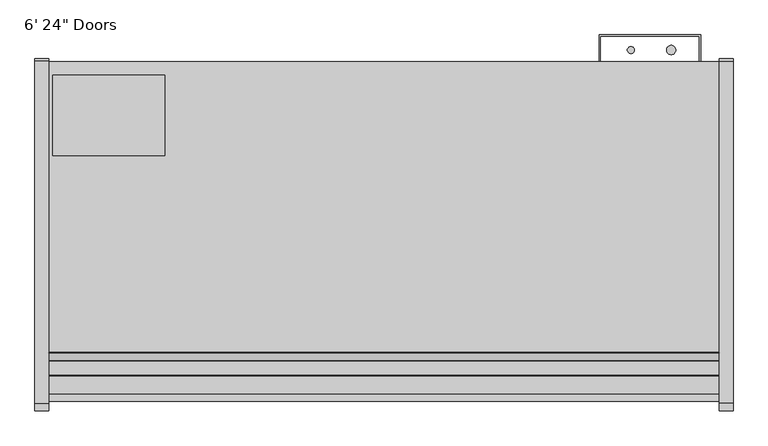
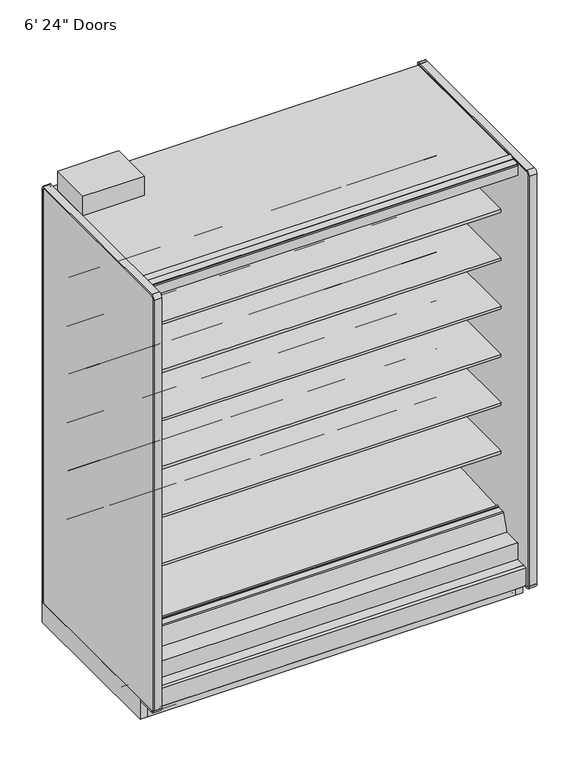
"""IFC4 building model written with IfcOpenShell, lengths in millimetres: proxy geometry."""

from ifc_helpers import new_model, si_unit, point, frame, frame_2d, origin, origin_with_axes, place, context, project, spatial, polyline, circle_curve, trimmed, segment, composite_curve, outline, extrude, source, transform, mapped, element, save
from ifc_brep_helpers import plane_surface, cylinder_surface, revolved_surface, advanced_brep


def proxy_03819749(model_context):
    return source(origin(), model_context, "Body", "SolidModel", [
        extrude(outline(polyline([(1828.8, -1167.5349267), (1828.8, -1183.4099267), (0.0, -1183.4099267), (0.0, -1167.5349267), (1828.8, -1167.5349267)])), origin_with_axes(), (0.0, 0.0, 1.0), 105.16235),
        extrude(outline(polyline([(315.9000882, -386.7007273), (315.9000882, -605.1295388), (11.1115648, -605.1295388), (11.1115648, -386.7007273), (315.9000882, -386.7007273)])), frame((0.0, 0.0, 2282.825), z_axis=(0.0, 0.0, 1.0), x_axis=(1.0, 0.0, 0.0)), (0.0, 0.0, 1.0), 101.6),
        extrude(outline(composite_curve([segment(trimmed(circle_curve(frame_2d((1697.9930803, -317.2571273)), 12.7), [point((1685.2930803, -317.2571273))], [point((1710.6930803, -317.2571273))], False, "CARTESIAN"), True, "CONTINUOUS"), segment(trimmed(circle_curve(frame_2d((1697.9930803, -317.2571273)), 12.7), [point((1710.6930803, -317.2571273))], [point((1685.2930803, -317.2571273))], False, "CARTESIAN"), True, "CONTINUOUS")], self_intersect=False)), frame((0.0, 0.0, 1447.6965458), z_axis=(0.0, 0.0, 1.0), x_axis=(1.0, 0.0, 0.0)), (0.0, 0.0, 1.0), 508.0),
        extrude(outline(composite_curve([segment(trimmed(circle_curve(frame_2d((1588.0004524, -317.2571273)), 9.525), [point((1578.4754524, -317.2571273))], [point((1597.5254524, -317.2571273))], False, "CARTESIAN"), True, "CONTINUOUS"), segment(trimmed(circle_curve(frame_2d((1588.0004524, -317.2571273)), 9.525), [point((1597.5254524, -317.2571273))], [point((1578.4754524, -317.2571273))], False, "CARTESIAN"), True, "CONTINUOUS")], self_intersect=False)), frame((0.0, 0.0, 1447.6965458), z_axis=(0.0, 0.0, 1.0), x_axis=(1.0, 0.0, 0.0)), (0.0, 0.0, 1.0), 508.0),
        extrude(outline(composite_curve([segment(trimmed(circle_curve(frame_2d((1689.6004524, -526.8071273)), 9.525), [point((1680.0754524, -526.8071273))], [point((1699.1254524, -526.8071273))], False, "CARTESIAN"), True, "CONTINUOUS"), segment(trimmed(circle_curve(frame_2d((1689.6004524, -526.8071273)), 9.525), [point((1699.1254524, -526.8071273))], [point((1680.0754524, -526.8071273))], False, "CARTESIAN"), True, "CONTINUOUS")], self_intersect=False)), frame((0.0, 0.0, 57.8450688), z_axis=(0.0, 0.0, 1.0), x_axis=(1.0, 0.0, 0.0)), (0.0, 0.0, 1.0), 47.3172812),
        extrude(outline(composite_curve([segment(trimmed(circle_curve(frame_2d((1736.0930803, -526.8071273)), 12.7), [point((1723.3930803, -526.8071273))], [point((1748.7930803, -526.8071273))], False, "CARTESIAN"), True, "CONTINUOUS"), segment(trimmed(circle_curve(frame_2d((1736.0930803, -526.8071273)), 12.7), [point((1748.7930803, -526.8071273))], [point((1723.3930803, -526.8071273))], False, "CARTESIAN"), True, "CONTINUOUS")], self_intersect=False)), frame((0.0, 0.0, 57.8450688), z_axis=(0.0, 0.0, 1.0), x_axis=(1.0, 0.0, 0.0)), (0.0, 0.0, 1.0), 47.3172812),
        extrude(outline(composite_curve([segment(trimmed(circle_curve(frame_2d((914.4, -945.9071273)), 38.1), [point((876.3, -945.9071273))], [point((952.5, -945.9071273))], False, "CARTESIAN"), True, "CONTINUOUS"), segment(trimmed(circle_curve(frame_2d((914.4, -945.9071273)), 38.1), [point((952.5, -945.9071273))], [point((876.3, -945.9071273))], False, "CARTESIAN"), True, "CONTINUOUS")], self_intersect=False)), frame((0.0, 0.0, 57.8450688), z_axis=(0.0, 0.0, 1.0), x_axis=(1.0, 0.0, 0.0)), (0.0, 0.0, 1.0), 47.3172812),
        extrude(outline(polyline([(114.3, -411.7999572), (114.3, -462.5999572), (0.0, -462.5999572), (0.0, -411.7999572), (114.3, -411.7999572)])), frame((0.0, 0.0, 63.88735), z_axis=(0.0, 0.0, 1.0), x_axis=(1.0, 0.0, 0.0)), (0.0, 0.0, 1.0), 6.35),
        extrude(outline(polyline([(-349.0071273, 2231.5678), (-349.0071273, 105.16235), (-1256.6126273, 105.16235), (-1256.6126273, 201.2447768), (-1205.5205047, 201.2447768), (-1205.5205047, 169.3369447), (-1112.6665508, 150.0632248), (-401.0517273, 187.3573774), (-401.0517273, 2231.5678), (-349.0071273, 2231.5678)])), frame((0.0, 0.0, 0.0), z_axis=(1.0, 0.0, 0.0), x_axis=(0.0, 1.0, 0.0)), (0.0, 0.0, 1.0), 1828.8),
        advanced_brep(
        [(1828.8, -1018.871097, 105.16235), (1828.8, -1022.1071273, 101.9263197), (1828.8, -1022.1071273, 2.3876), (1828.8, -1019.7195273, 0.0), (1828.8, -982.0132273, 0.0), (1828.8, -982.0132273, 70.23735), (1828.8, -383.2457368, 70.23735), (1828.8, -383.2457368, 0.0), (1828.8, -351.3947273, 0.0), (1828.8, -349.0071273, 2.3876), (1828.8, -349.0071273, 100.830191), (1828.8, -353.3392863, 105.16235), (0.0, -1018.871097, 105.16235), (0.0, -353.3392863, 105.16235), (0.0, -349.0071273, 100.830191), (0.0, -349.0071273, 2.3876), (0.0, -351.3947273, 0.0), (0.0, -383.2457368, 0.0), (0.0, -383.2457368, 70.23735), (0.0, -982.0132273, 70.23735), (0.0, -982.0132273, 0.0), (0.0, -1019.7195273, 0.0), (0.0, -1022.1071273, 2.3876), (0.0, -1022.1071273, 101.9263197), (965.2, -945.9071273, 105.16235), (863.6, -945.9071273, 105.16235), (1765.3, -526.8071273, 105.16235), (1663.7, -526.8071273, 105.16235), (878.6650095, -982.0132273, 70.23735), (950.1349905, -982.0132273, 70.23735), (965.2, -945.9071273, 70.23735), (863.6, -945.9071273, 70.23735), (1663.7, -526.8071273, 70.23735), (1765.3, -526.8071273, 70.23735)],
        [
            (0, 1, circle_curve(frame((1828.8, -1018.871097, 101.9263197), z_axis=(1.0, 0.0, 0.0), x_axis=(0.0, 1.0, 0.0)), 3.2360303)),
            (1, 2),
            (2, 3, circle_curve(frame((1828.8, -1019.7195273, 2.3876), z_axis=(1.0, 0.0, 0.0), x_axis=(0.0, 1.0, 0.0)), 2.3876)),
            (3, 4),
            (4, 5),
            (5, 6),
            (6, 7),
            (7, 8),
            (8, 9, circle_curve(frame((1828.8, -351.3947273, 2.3876), z_axis=(1.0, 0.0, 0.0), x_axis=(0.0, 1.0, 0.0)), 2.3876)),
            (9, 10),
            (10, 11, circle_curve(frame((1828.8, -353.3392863, 100.830191), z_axis=(1.0, 0.0, 0.0), x_axis=(0.0, 1.0, 0.0)), 4.332159)),
            (11, 0),
            (12, 13),
            (13, 14, circle_curve(frame((0.0, -353.3392863, 100.830191), z_axis=(-1.0, 0.0, 0.0), x_axis=(0.0, 1.0, 0.0)), 4.332159)),
            (14, 15),
            (15, 16, circle_curve(frame((0.0, -351.3947273, 2.3876), z_axis=(-1.0, 0.0, 0.0), x_axis=(0.0, 1.0, 0.0)), 2.3876)),
            (16, 17),
            (17, 18),
            (18, 19),
            (19, 20),
            (20, 21),
            (21, 22, circle_curve(frame((0.0, -1019.7195273, 2.3876), z_axis=(-1.0, 0.0, 0.0), x_axis=(0.0, 1.0, 0.0)), 2.3876)),
            (22, 23),
            (23, 12, circle_curve(frame((0.0, -1018.871097, 101.9263197), z_axis=(-1.0, 0.0, 0.0), x_axis=(0.0, 1.0, 0.0)), 3.2360303)),
            (10, 14),
            (13, 11),
            (12, 0),
            (24, 25, circle_curve(frame((914.4, -945.9071273, 105.16235), z_axis=(0.0, 0.0, -1.0), x_axis=(1.0, 0.0, 0.0)), 50.8)),
            (25, 24, circle_curve(frame((914.4, -945.9071273, 105.16235), z_axis=(0.0, 0.0, -1.0), x_axis=(1.0, 0.0, 0.0)), 50.8)),
            (26, 27, circle_curve(frame((1714.5, -526.8071273, 105.16235), z_axis=(0.0, 0.0, -1.0), x_axis=(1.0, 0.0, 0.0)), 50.8)),
            (27, 26, circle_curve(frame((1714.5, -526.8071273, 105.16235), z_axis=(0.0, 0.0, -1.0), x_axis=(1.0, 0.0, 0.0)), 50.8)),
            (23, 1),
            (22, 2),
            (21, 3),
            (20, 4),
            (19, 28),
            (28, 29),
            (29, 5),
            (29, 30, circle_curve(frame((914.4, -945.9071273, 70.23735), z_axis=(0.0, 0.0, 1.0), x_axis=(1.0, 0.0, 0.0)), 50.8)),
            (30, 31, circle_curve(frame((914.4, -945.9071273, 70.23735), z_axis=(0.0, 0.0, 1.0), x_axis=(1.0, 0.0, 0.0)), 50.8)),
            (31, 28, circle_curve(frame((914.4, -945.9071273, 70.23735), z_axis=(0.0, 0.0, 1.0), x_axis=(1.0, 0.0, 0.0)), 50.8)),
            (18, 6),
            (32, 33, circle_curve(frame((1714.5, -526.8071273, 70.23735), z_axis=(0.0, 0.0, 1.0), x_axis=(1.0, 0.0, 0.0)), 50.8)),
            (33, 32, circle_curve(frame((1714.5, -526.8071273, 70.23735), z_axis=(0.0, 0.0, 1.0), x_axis=(1.0, 0.0, 0.0)), 50.8)),
            (17, 7),
            (16, 8),
            (15, 9),
            (28, 29, circle_curve(frame((914.4, -945.9071273, 70.23735), z_axis=(0.0, 0.0, 1.0), x_axis=(1.0, 0.0, 0.0)), 50.8)),
            (24, 30),
            (31, 25),
            (32, 27),
            (26, 33),
        ],
        [
            plane_surface(frame((1828.8, -1015.6350667, 101.9263197), z_axis=(1.0, 0.0, 0.0), x_axis=(0.0, 0.0, 1.0))),
            plane_surface(frame((0.0, -1015.6350667, 101.9263197), z_axis=(-1.0, 0.0, 0.0), x_axis=(0.0, 0.0, -1.0))),
            cylinder_surface(frame((0.0, -353.3392863, 100.830191), z_axis=(1.0, 0.0, 0.0), x_axis=(0.0, 1.0, 0.0)), 4.332159),
            plane_surface(frame((1828.8, -353.3392863, 105.16235), z_axis=(0.0, 0.0, 1.0), x_axis=(-1.0, 0.0, 0.0))),
            cylinder_surface(frame((0.0, -1018.871097, 101.9263197), z_axis=(1.0, 0.0, 0.0), x_axis=(0.0, 1.0, 0.0)), 3.2360303),
            plane_surface(frame((1828.8, -1022.1071273, 101.9263197), z_axis=(0.0, -1.0, 0.0), x_axis=(-1.0, 0.0, 0.0))),
            cylinder_surface(frame((0.0, -1019.7195273, 2.3876), z_axis=(1.0, 0.0, 0.0), x_axis=(0.0, 1.0, 0.0)), 2.3876),
            plane_surface(frame((1828.8, -1019.7195273, 0.0), z_axis=(0.0, 0.0, -1.0), x_axis=(-1.0, 0.0, 0.0))),
            plane_surface(frame((1828.8, -982.0132273, 0.0), z_axis=(0.0, 1.0, 0.0), x_axis=(-1.0, 0.0, 0.0))),
            plane_surface(frame((1828.8, -982.0132273, 70.23735), z_axis=(0.0, 0.0, -1.0), x_axis=(-1.0, 0.0, 0.0))),
            plane_surface(frame((1828.8, -383.2457368, 70.23735), z_axis=(0.0, -1.0, 0.0), x_axis=(-1.0, 0.0, 0.0))),
            plane_surface(frame((1828.8, -383.2457368, 0.0), z_axis=(0.0, 0.0, -1.0), x_axis=(-1.0, 0.0, 0.0))),
            cylinder_surface(frame((0.0, -351.3947273, 2.3876), z_axis=(1.0, 0.0, 0.0), x_axis=(0.0, 1.0, 0.0)), 2.3876),
            plane_surface(frame((965.2, -945.9071273, 70.23735), z_axis=(0.0, 0.0, 1.0), x_axis=(0.0, -1.0, 0.0))),
            revolved_surface(polyline([(965.1999999999999, -945.9071273, 105.16235), (965.1999999999999, -945.9071273, 70.23735)]), (914.4, -945.9071273, 70.23735), (0.0, 0.0, 1.0)),
            revolved_surface(polyline([(1765.3, -526.8071273, 105.16235), (1765.3, -526.8071273, 70.23735)]), (1714.5, -526.8071273, 0.0), (0.0, 0.0, 1.0)),
            plane_surface(frame((1828.8, -349.0071273, 2.3876), z_axis=(0.0, 1.0, 0.0), x_axis=(-1.0, 0.0, 0.0))),
        ],
        [
            (0, [[1, 2, 3, 4, 5, 6, 7, 8, 9, 10, 11, 12]]),
            (1, [[13, 14, 15, 16, 17, 18, 19, 20, 21, 22, 23, 24]]),
            (2, [[-11, 25, -14, 26]]),
            (3, [[-12, -26, -13, 27], [28, 29], [30, 31]]),
            (4, [[-1, -27, -24, 32]]),
            (5, [[-2, -32, -23, 33]]),
            (6, [[-3, -33, -22, 34]]),
            (7, [[-4, -34, -21, 35]]),
            (8, [[-5, -35, -20, 36, 37, 38]]),
            (9, [[-6, -38, 39, 40, 41, -36, -19, 42], [43, 44]]),
            (10, [[-7, -42, -18, 45]]),
            (11, [[-8, -45, -17, 46]]),
            (12, [[-9, -46, -16, 47]]),
            (13, [[48, -37]]),
            (14, [[49, -39, -48, -41, 50, -28]]),
            (14, [[-49, -29, -50, -40]]),
            (15, [[51, -30, 52, -43]]),
            (15, [[-51, -44, -52, -31]]),
            (16, [[-10, -47, -15, -25]]),
        ],
    ),
        extrude(outline(polyline([(1501.775, -349.0071273), (1501.775, -275.9821273), (1778.0, -275.9821273), (1778.0, -349.0071273), (1774.825, -349.0071273), (1774.825, -279.1571273), (1504.95, -279.1571273), (1504.95, -349.0071273), (1501.775, -349.0071273)])), frame((0.0, 0.0, 304.927), z_axis=(0.0, 0.0, 1.0), x_axis=(1.0, 0.0, 0.0)), (0.0, 0.0, 1.0), 1523.3666145),
        extrude(outline(composite_curve([segment(polyline([(-452.3089273, 610.906076), (-470.5727913, 610.5955195)]), True, "CONTINUOUS"), segment(trimmed(circle_curve(frame_2d((-471.0046274, 635.9918483)), 25.4), [point((-470.5727913, 610.5955195))], [point((-486.9819836, 616.2463656))], False, "CARTESIAN"), True, "CONTINUOUS"), segment(polyline([(-486.9819836, 616.2463656), (-504.8340447, 630.6916311)]), True, "CONTINUOUS"), segment(trimmed(circle_curve(frame_2d((-544.7774354, 581.3279244)), 63.5), [point((-504.8340447, 630.6916311))], [point((-536.8795542, 644.3348563))], True, "CARTESIAN"), True, "CONTINUOUS"), segment(polyline([(-536.8795542, 644.3348563), (-751.3282218, 668.0319937), (-752.8169983, 671.4725458), (-1061.9089273, 671.4725458), (-1061.9089273, 685.6965458), (-452.3089273, 685.6965458), (-452.3089273, 610.906076)]), True, "CONTINUOUS")], self_intersect=False)), frame((0.0, 0.0, 0.0), z_axis=(1.0, 0.0, 0.0), x_axis=(0.0, 1.0, 0.0)), (0.0, 0.0, 1.0), 1828.8),
        extrude(outline(composite_curve([segment(polyline([(-452.3089273, 864.906076), (-470.5727913, 864.5955195)]), True, "CONTINUOUS"), segment(trimmed(circle_curve(frame_2d((-471.0046274, 889.9918483)), 25.4), [point((-470.5727913, 864.5955195))], [point((-486.9819836, 870.2463656))], False, "CARTESIAN"), True, "CONTINUOUS"), segment(polyline([(-486.9819836, 870.2463656), (-504.8340447, 884.6916311)]), True, "CONTINUOUS"), segment(trimmed(circle_curve(frame_2d((-544.7774354, 835.3279244)), 63.5), [point((-504.8340447, 884.6916311))], [point((-536.8795542, 898.3348563))], True, "CARTESIAN"), True, "CONTINUOUS"), segment(polyline([(-536.8795542, 898.3348563), (-751.3282218, 922.0319937), (-752.8169983, 925.4725458), (-1061.9089273, 925.4725458), (-1061.9089273, 939.6965458), (-452.3089273, 939.6965458), (-452.3089273, 864.906076)]), True, "CONTINUOUS")], self_intersect=False)), frame((0.0, 0.0, 0.0), z_axis=(1.0, 0.0, 0.0), x_axis=(0.0, 1.0, 0.0)), (0.0, 0.0, 1.0), 1828.8),
        extrude(outline(composite_curve([segment(polyline([(-452.3089273, 1118.906076), (-470.5727913, 1118.5955195)]), True, "CONTINUOUS"), segment(trimmed(circle_curve(frame_2d((-471.0046274, 1143.9918483)), 25.4), [point((-470.5727913, 1118.5955195))], [point((-486.9819836, 1124.2463656))], False, "CARTESIAN"), True, "CONTINUOUS"), segment(polyline([(-486.9819836, 1124.2463656), (-504.8340447, 1138.6916311)]), True, "CONTINUOUS"), segment(trimmed(circle_curve(frame_2d((-544.7774354, 1089.3279244)), 63.5), [point((-504.8340447, 1138.6916311))], [point((-536.8795542, 1152.3348563))], True, "CARTESIAN"), True, "CONTINUOUS"), segment(polyline([(-536.8795542, 1152.3348563), (-751.3282218, 1176.0319937), (-752.8169983, 1179.4725458), (-1061.9089273, 1179.4725458), (-1061.9089273, 1193.6965458), (-452.3089273, 1193.6965458), (-452.3089273, 1118.906076)]), True, "CONTINUOUS")], self_intersect=False)), frame((0.0, 0.0, 0.0), z_axis=(1.0, 0.0, 0.0), x_axis=(0.0, 1.0, 0.0)), (0.0, 0.0, 1.0), 1828.8),
        extrude(outline(composite_curve([segment(polyline([(-452.3089273, 1372.906076), (-470.5727913, 1372.5955195)]), True, "CONTINUOUS"), segment(trimmed(circle_curve(frame_2d((-471.0046274, 1397.9918483)), 25.4), [point((-470.5727913, 1372.5955195))], [point((-486.9819836, 1378.2463656))], False, "CARTESIAN"), True, "CONTINUOUS"), segment(polyline([(-486.9819836, 1378.2463656), (-504.8340447, 1392.6916311)]), True, "CONTINUOUS"), segment(trimmed(circle_curve(frame_2d((-544.7774354, 1343.3279244)), 63.5), [point((-504.8340447, 1392.6916311))], [point((-536.8795542, 1406.3348563))], True, "CARTESIAN"), True, "CONTINUOUS"), segment(polyline([(-536.8795542, 1406.3348563), (-751.3282218, 1430.0319937), (-752.8169983, 1433.4725458), (-1061.9089273, 1433.4725458), (-1061.9089273, 1447.6965458), (-452.3089273, 1447.6965458), (-452.3089273, 1372.906076)]), True, "CONTINUOUS")], self_intersect=False)), frame((0.0, 0.0, 0.0), z_axis=(1.0, 0.0, 0.0), x_axis=(0.0, 1.0, 0.0)), (0.0, 0.0, 1.0), 1828.8),
        extrude(outline(composite_curve([segment(polyline([(-452.3089273, 1626.906076), (-470.5727913, 1626.5955195)]), True, "CONTINUOUS"), segment(trimmed(circle_curve(frame_2d((-471.0046274, 1651.9918483)), 25.4), [point((-470.5727913, 1626.5955195))], [point((-486.9819836, 1632.2463656))], False, "CARTESIAN"), True, "CONTINUOUS"), segment(polyline([(-486.9819836, 1632.2463656), (-504.8340447, 1646.6916311)]), True, "CONTINUOUS"), segment(trimmed(circle_curve(frame_2d((-544.7774354, 1597.3279244)), 63.5), [point((-504.8340447, 1646.6916311))], [point((-536.8795542, 1660.3348563))], True, "CARTESIAN"), True, "CONTINUOUS"), segment(polyline([(-536.8795542, 1660.3348563), (-751.3282218, 1684.0319937), (-752.8169983, 1687.4725458), (-1061.9089273, 1687.4725458), (-1061.9089273, 1701.6965458), (-452.3089273, 1701.6965458), (-452.3089273, 1626.906076)]), True, "CONTINUOUS")], self_intersect=False)), frame((0.0, 0.0, 0.0), z_axis=(1.0, 0.0, 0.0), x_axis=(0.0, 1.0, 0.0)), (0.0, 0.0, 1.0), 1828.8),
        extrude(outline(composite_curve([segment(polyline([(-452.3089273, 1880.906076), (-470.5727913, 1880.5955195)]), True, "CONTINUOUS"), segment(trimmed(circle_curve(frame_2d((-471.0046274, 1905.9918483)), 25.4), [point((-470.5727913, 1880.5955195))], [point((-486.9819836, 1886.2463656))], False, "CARTESIAN"), True, "CONTINUOUS"), segment(polyline([(-486.9819836, 1886.2463656), (-504.8340447, 1900.6916311)]), True, "CONTINUOUS"), segment(trimmed(circle_curve(frame_2d((-544.7774354, 1851.3279244)), 63.5), [point((-504.8340447, 1900.6916311))], [point((-536.8795542, 1914.3348563))], True, "CARTESIAN"), True, "CONTINUOUS"), segment(polyline([(-536.8795542, 1914.3348563), (-751.3282218, 1938.0319937), (-752.8169983, 1941.4725458), (-1061.9089273, 1941.4725458), (-1061.9089273, 1955.6965458), (-452.3089273, 1955.6965458), (-452.3089273, 1880.906076)]), True, "CONTINUOUS")], self_intersect=False)), frame((0.0, 0.0, 0.0), z_axis=(1.0, 0.0, 0.0), x_axis=(0.0, 1.0, 0.0)), (0.0, 0.0, 1.0), 1828.8),
        advanced_brep(
        [(1828.8, -562.1054156, 392.489408), (1828.8, -565.4345004, 395.3833373), (1828.8, -1028.1778581, 371.1319845), (1828.8, -1031.8816746, 374.3516629), (1828.8, -1032.3723429, 379.9600263), (1828.8, -1039.3602618, 380.0840123), (1828.8, -1037.6796074, 360.8740328), (1828.8, -1031.0214377, 355.0861739), (1828.8, -564.4043684, 379.5405382), (1828.8, -561.4040704, 382.9438378), (0.0, -562.1054156, 392.489408), (0.0, -561.4040704, 382.9438378), (0.0, -564.4043684, 379.5405382), (0.0, -1031.0214377, 355.0861739), (0.0, -1037.6796074, 360.8740328), (0.0, -1039.3602618, 380.0840123), (0.0, -1032.4336802, 379.95466), (0.0, -1031.8816746, 374.3516629), (0.0, -1028.1778581, 371.1319845), (0.0, -565.4345004, 395.3833373)],
        [
            (0, 1, circle_curve(frame((1828.8, -565.2683338, 392.2126885), z_axis=(1.0, 0.0, 0.0), x_axis=(0.0, 1.0, 0.0)), 3.175)),
            (1, 2),
            (2, 3, circle_curve(frame((1828.8, -1028.362729, 374.6595308), z_axis=(-1.0, 0.0, 0.0), x_axis=(0.0, 1.0, 0.0)), 3.5323874)),
            (3, 4),
            (4, 5, circle_curve(frame((1828.8, -1035.9038485, 379.6510595), z_axis=(1.0, 0.0, 0.0), x_axis=(0.0, 1.0, 0.0)), 3.4834238)),
            (5, 6),
            (6, 7, circle_curve(frame((1828.8, -1031.353771, 361.4274714), z_axis=(1.0, 0.0, 0.0), x_axis=(0.0, 1.0, 0.0)), 6.35)),
            (7, 8),
            (8, 9, circle_curve(frame((1828.8, -564.5705351, 382.711187), z_axis=(1.0, 0.0, 0.0), x_axis=(0.0, 1.0, 0.0)), 3.175)),
            (9, 0),
            (10, 11),
            (11, 12, circle_curve(frame((0.0, -564.5705351, 382.711187), z_axis=(-1.0, 0.0, 0.0), x_axis=(0.0, 1.0, 0.0)), 3.175)),
            (12, 13),
            (13, 14, circle_curve(frame((0.0, -1031.353771, 361.4274714), z_axis=(-1.0, 0.0, 0.0), x_axis=(0.0, 1.0, 0.0)), 6.35)),
            (14, 15),
            (15, 16, circle_curve(frame((0.0, -1035.9038485, 379.6510595), z_axis=(-1.0, 0.0, 0.0), x_axis=(0.0, 1.0, 0.0)), 3.4834238)),
            (16, 17),
            (17, 18, circle_curve(frame((0.0, -1028.362729, 374.6595308), z_axis=(1.0, 0.0, 0.0), x_axis=(0.0, 1.0, 0.0)), 3.5323874)),
            (18, 19),
            (19, 10, circle_curve(frame((0.0, -565.2683338, 392.2126885), z_axis=(-1.0, 0.0, 0.0), x_axis=(0.0, 1.0, 0.0)), 3.175)),
            (0, 10),
            (19, 1),
            (18, 2),
            (17, 3),
            (16, 4),
            (15, 5),
            (14, 6),
            (13, 7),
            (12, 8),
            (11, 9),
        ],
        [
            plane_surface(frame((1828.8, -562.0933338, 392.2126885), z_axis=(1.0, 0.0, 0.0), x_axis=(0.0, 0.0, 1.0))),
            plane_surface(frame((0.0, -562.0933338, 392.2126885), z_axis=(-1.0, 0.0, 0.0), x_axis=(0.0, 0.0, -1.0))),
            cylinder_surface(frame((0.0, -565.2683338, 392.2126885), z_axis=(1.0, 0.0, 0.0), x_axis=(0.0, 1.0, 0.0)), 3.175),
            plane_surface(frame((1828.8, -565.4345004, 395.3833373), z_axis=(0.0, -0.05233595857633936, 0.9986295346322859), x_axis=(-1.0, 0.0, 0.0))),
            revolved_surface(polyline([(0.0, -1024.8303415999999, 374.6595308), (1828.8, -1024.8303415999999, 374.6595308)]), (0.0, -1028.362729, 374.6595308), (-1.0, 0.0, 0.0)),
            plane_surface(frame((1828.8, -1031.8816746, 374.3516629), z_axis=(0.0, 0.9961946955698885, 0.08715577157261226), x_axis=(-1.0, 0.0, 0.0))),
            cylinder_surface(frame((0.0, -1035.9038485, 379.6510595), z_axis=(1.0, 0.0, 0.0), x_axis=(0.0, 1.0, 0.0)), 3.4834238),
            plane_surface(frame((1828.8, -1039.3602618, 380.0840123), z_axis=(0.0, -0.9961947025639891, -0.08715569162966595), x_axis=(-1.0, 0.0, 0.0))),
            cylinder_surface(frame((0.0, -1031.353771, 361.4274714), z_axis=(1.0, 0.0, 0.0), x_axis=(0.0, 1.0, 0.0)), 6.35),
            plane_surface(frame((1828.8, -1031.0214377, 355.0861739), z_axis=(0.0, 0.05233595624300962, -0.9986295347545704), x_axis=(-1.0, 0.0, 0.0))),
            cylinder_surface(frame((0.0, -564.5705351, 382.711187), z_axis=(1.0, 0.0, 0.0), x_axis=(0.0, 1.0, 0.0)), 3.175),
            plane_surface(frame((1828.8, -561.4040704, 382.9438378), z_axis=(0.0, 0.9973117114183065, 0.07327585050948633), x_axis=(-1.0, 0.0, 0.0))),
        ],
        [
            (0, [[1, 2, 3, 4, 5, 6, 7, 8, 9, 10]]),
            (1, [[11, 12, 13, 14, 15, 16, 17, 18, 19, 20]]),
            (2, [[-1, 21, -20, 22]]),
            (3, [[-2, -22, -19, 23]]),
            (4, [[-3, -23, -18, 24]]),
            (5, [[-4, -24, -17, 25]]),
            (6, [[-5, -25, -16, 26]]),
            (7, [[-6, -26, -15, 27]]),
            (8, [[-7, -27, -14, 28]]),
            (9, [[-8, -28, -13, 29]]),
            (10, [[-9, -29, -12, 30]]),
            (11, [[-10, -30, -11, -21]]),
        ],
    ),
        extrude(outline(composite_curve([segment(polyline([(-452.3089273, 2205.7106), (-1055.5314174, 2205.7106), (-1076.6649541, 2210.5896614), (-1079.1443307, 2198.9251118)]), True, "CONTINUOUS"), segment(trimmed(circle_curve(frame_2d((-1080.6350276, 2199.2419692)), 1.524), [point((-1079.1443307, 2198.9251118))], [point((-1080.9518851, 2197.7512722))], False, "CARTESIAN"), True, "CONTINUOUS"), segment(polyline([(-1080.9518851, 2197.7512722), (-1146.9989273, 2211.7900045), (-1146.9989273, 2210.4040825)]), True, "CONTINUOUS"), segment(trimmed(circle_curve(frame_2d((-1149.3773588, 2210.6131219)), 2.3876), [point((-1146.9989273, 2210.4040825))], [point((-1149.3773097, 2208.2255219))], False, "CARTESIAN"), True, "CONTINUOUS"), segment(polyline([(-1149.3773097, 2208.2255219), (-1160.0080838, 2208.2253035), (-1160.0080838, 2223.5012119), (-1205.5205273, 2223.5012119), (-1205.5205273, 2282.0376)]), True, "CONTINUOUS"), segment(trimmed(circle_curve(frame_2d((-1204.7331273, 2282.0376)), 0.7874), [point((-1205.5205273, 2282.0376))], [point((-1204.7331273, 2282.825))], False, "CARTESIAN"), True, "CONTINUOUS"), segment(polyline([(-1204.7331273, 2282.825), (-349.0071273, 2282.825), (-349.0071273, 2231.5678), (-452.3089273, 2231.5678), (-452.3089273, 2205.7106)]), True, "CONTINUOUS")], self_intersect=False)), frame((0.0, 0.0, 0.0), z_axis=(1.0, 0.0, 0.0), x_axis=(0.0, 1.0, 0.0)), (0.0, 0.0, 1.0), 1828.8),
        extrude(outline(composite_curve([segment(polyline([(-1263.5976273, 105.16235), (-1274.6466273, 105.16235)]), True, "CONTINUOUS"), segment(trimmed(circle_curve(frame_2d((-1274.6466273, 106.81335)), 1.651), [point((-1274.6466273, 105.16235))], [point((-1276.2976273, 106.81335))], False, "CARTESIAN"), True, "CONTINUOUS"), segment(polyline([(-1276.2976273, 106.81335), (-1276.2976273, 201.2447768), (-1256.6126273, 201.2447768), (-1256.6126273, 106.62285), (-1263.5976273, 106.62285), (-1263.5976273, 105.16235)]), True, "CONTINUOUS")], self_intersect=False)), frame((0.0, 0.0, 0.0), z_axis=(1.0, 0.0, 0.0), x_axis=(0.0, 1.0, 0.0)), (0.0, 0.0, 1.0), 1828.8),
        extrude(outline(composite_curve([segment(polyline([(-1205.5205047, 288.3361558), (-1111.5273572, 288.3361558), (-1083.6940162, 372.3488205)]), True, "CONTINUOUS"), segment(trimmed(circle_curve(frame_2d((-1077.6662092, 370.3518119)), 6.35), [point((-1083.6940162, 372.3488205))], [point((-1077.6662092, 376.7018119))], False, "CARTESIAN"), True, "CONTINUOUS"), segment(polyline([(-1077.6662092, 376.7018119), (-1043.9140632, 376.7018119)]), True, "CONTINUOUS"), segment(trimmed(circle_curve(frame_2d((-1043.9140632, 372.471676)), 4.2301359), [point((-1043.9140632, 376.7018119))], [point((-1039.6839273, 372.471676))], False, "CARTESIAN"), True, "CONTINUOUS"), segment(polyline([(-1039.6839273, 372.471676), (-1039.6839273, 354.632192), (-560.553361, 379.742361), (-560.9721481, 391.7348557)]), True, "CONTINUOUS"), segment(trimmed(circle_curve(frame_2d((-556.4536725, 391.8926443)), 4.5212298), [point((-560.9721481, 391.7348557))], [point((-556.6114611, 396.41112))], False, "CARTESIAN"), True, "CONTINUOUS"), segment(polyline([(-556.6114611, 396.41112), (-470.3276537, 399.4242169)]), True, "CONTINUOUS"), segment(trimmed(circle_curve(frame_2d((-470.3772309, 400.8439205)), 1.420569), [point((-470.3276537, 399.4242169))], [point((-468.9575273, 400.8934976))], True, "CARTESIAN"), True, "CONTINUOUS"), segment(polyline([(-468.9575273, 400.8934976), (-469.2184151, 408.3643476)]), True, "CONTINUOUS"), segment(trimmed(circle_curve(frame_2d((-467.1682375, 408.4359413)), 2.0514273), [point((-469.2184151, 408.3643476))], [point((-467.2398313, 410.486119))], False, "CARTESIAN"), True, "CONTINUOUS"), segment(polyline([(-467.2398313, 410.486119), (-452.3089273, 411.0075176), (-452.3089273, 263.5334166), (-401.0517273, 263.5334166), (-401.0517273, 187.3573774), (-1112.6665508, 150.0632248), (-1205.5205047, 169.3369447), (-1205.5205047, 288.3361558)]), True, "CONTINUOUS")], self_intersect=False)), frame((0.0, 0.0, 0.0), z_axis=(1.0, 0.0, 0.0), x_axis=(0.0, 1.0, 0.0)), (0.0, 0.0, 1.0), 1828.8),
        extrude(outline(polyline([(1828.8, -401.0517273), (1828.8, -452.3089273), (0.0, -452.3089273), (0.0, -401.0517273), (1828.8, -401.0517273)])), frame((0.0, 0.0, 263.5334166), z_axis=(0.0, 0.0, 1.0), x_axis=(1.0, 0.0, 0.0)), (0.0, 0.0, 1.0), 1968.0343834),
        extrude(outline(composite_curve([segment(polyline([(-996.7011791, 30.0863), (-1022.1071273, 30.150134), (-1022.1071273, 1.512412), (-1162.480805, 1.5240398)]), True, "CONTINUOUS"), segment(trimmed(circle_curve(frame_2d((-1162.4803863, 6.5785802)), 5.0545404), [point((-1162.480805, 1.5240398))], [point((-1167.5349267, 6.5785802))], False, "CARTESIAN"), True, "CONTINUOUS"), segment(polyline([(-1167.5349267, 6.5785802), (-1167.5349267, 105.16235), (-996.7011791, 105.16235), (-996.7011791, 30.0863)]), True, "CONTINUOUS")], self_intersect=False)), frame((0.0, 0.0, 0.0), z_axis=(1.0, 0.0, 0.0), x_axis=(0.0, 1.0, 0.0)), (0.0, 0.0, 1.0), 1828.8),
        extrude(outline(composite_curve([segment(polyline([(-981.2258273, 0.0), (-1016.1381273, 0.0)]), True, "CONTINUOUS"), segment(trimmed(circle_curve(frame_2d((-1016.1381273, 5.1562)), 5.1562), [point((-1016.1381273, 0.0))], [point((-1021.2943273, 5.1562))], False, "CARTESIAN"), True, "CONTINUOUS"), segment(polyline([(-1021.2943273, 5.1562), (-1021.2943273, 24.892), (-1018.5257273, 24.892), (-1018.5257273, 5.1562)]), True, "CONTINUOUS"), segment(trimmed(circle_curve(frame_2d((-1016.1381273, 5.1562)), 2.3876), [point((-1018.5257273, 5.1562))], [point((-1016.1381273, 2.7686))], True, "CARTESIAN"), True, "CONTINUOUS"), segment(polyline([(-1016.1381273, 2.7686), (-981.2258273, 2.7686)]), True, "CONTINUOUS"), segment(trimmed(circle_curve(frame_2d((-981.2258273, 5.1562)), 2.3876), [point((-981.2258273, 2.7686))], [point((-978.8382273, 5.1562))], True, "CARTESIAN"), True, "CONTINUOUS"), segment(polyline([(-978.8382273, 5.1562), (-978.8382273, 20.5359)]), True, "CONTINUOUS"), segment(trimmed(circle_curve(frame_2d((-973.6820273, 20.5359)), 5.1562), [point((-978.8382273, 20.5359))], [point((-973.6820273, 25.6921))], False, "CARTESIAN"), True, "CONTINUOUS"), segment(polyline([(-973.6820273, 25.6921), (-962.4552273, 25.6921)]), True, "CONTINUOUS"), segment(trimmed(circle_curve(frame_2d((-962.4552273, 20.5359)), 5.1562), [point((-962.4552273, 25.6921))], [point((-957.2990273, 20.5359))], False, "CARTESIAN"), True, "CONTINUOUS"), segment(polyline([(-957.2990273, 20.5359), (-957.2990273, 5.1054), (-960.0676273, 5.1054), (-960.0676273, 20.5359)]), True, "CONTINUOUS"), segment(trimmed(circle_curve(frame_2d((-962.4552273, 20.5359)), 2.3876), [point((-960.0676273, 20.5359))], [point((-962.4552273, 22.9235))], True, "CARTESIAN"), True, "CONTINUOUS"), segment(polyline([(-962.4552273, 22.9235), (-973.6820273, 22.9235)]), True, "CONTINUOUS"), segment(trimmed(circle_curve(frame_2d((-973.6820273, 20.5359)), 2.3876), [point((-973.6820273, 22.9235))], [point((-976.0696273, 20.5359))], True, "CARTESIAN"), True, "CONTINUOUS"), segment(polyline([(-976.0696273, 20.5359), (-976.0696273, 5.1562)]), True, "CONTINUOUS"), segment(trimmed(circle_curve(frame_2d((-981.2258273, 5.1562)), 5.1562), [point((-976.0696273, 5.1562))], [point((-981.2258273, 0.0))], False, "CARTESIAN"), True, "CONTINUOUS")], self_intersect=False)), frame((0.0, 0.0, 0.0), z_axis=(1.0, 0.0, 0.0), x_axis=(0.0, 1.0, 0.0)), (0.0, 0.0, 1.0), 1828.8),
        extrude(outline(composite_curve([segment(trimmed(circle_curve(frame_2d((-389.0756273, 5.1562)), 5.1562), [point((-389.0756273, 0.0))], [point((-394.2318273, 5.1562))], False, "CARTESIAN"), True, "CONTINUOUS"), segment(polyline([(-394.2318273, 5.1562), (-394.2318273, 20.5359)]), True, "CONTINUOUS"), segment(trimmed(circle_curve(frame_2d((-396.6194273, 20.5359)), 2.3876), [point((-394.2318273, 20.5359))], [point((-396.6194273, 22.9235))], True, "CARTESIAN"), True, "CONTINUOUS"), segment(polyline([(-396.6194273, 22.9235), (-407.8462273, 22.9235)]), True, "CONTINUOUS"), segment(trimmed(circle_curve(frame_2d((-407.8462273, 20.5359)), 2.3876), [point((-407.8462273, 22.9235))], [point((-410.2338273, 20.5359))], True, "CARTESIAN"), True, "CONTINUOUS"), segment(polyline([(-410.2338273, 20.5359), (-410.2338273, 5.1054), (-413.0024273, 5.1054), (-413.0024273, 20.5359)]), True, "CONTINUOUS"), segment(trimmed(circle_curve(frame_2d((-407.8462273, 20.5359)), 5.1562), [point((-413.0024273, 20.5359))], [point((-407.8462273, 25.6921))], False, "CARTESIAN"), True, "CONTINUOUS"), segment(polyline([(-407.8462273, 25.6921), (-396.6194273, 25.6921)]), True, "CONTINUOUS"), segment(trimmed(circle_curve(frame_2d((-396.6194273, 20.5359)), 5.1562), [point((-396.6194273, 25.6921))], [point((-391.4632273, 20.5359))], False, "CARTESIAN"), True, "CONTINUOUS"), segment(polyline([(-391.4632273, 20.5359), (-391.4632273, 5.1562)]), True, "CONTINUOUS"), segment(trimmed(circle_curve(frame_2d((-389.0756273, 5.1562)), 2.3876), [point((-391.4632273, 5.1562))], [point((-389.0756273, 2.7686))], True, "CARTESIAN"), True, "CONTINUOUS"), segment(polyline([(-389.0756273, 2.7686), (-354.1633273, 2.7686)]), True, "CONTINUOUS"), segment(trimmed(circle_curve(frame_2d((-354.1633273, 5.1562)), 2.3876), [point((-354.1633273, 2.7686))], [point((-351.7757273, 5.1562))], True, "CARTESIAN"), True, "CONTINUOUS"), segment(polyline([(-351.7757273, 5.1562), (-351.7757273, 24.892), (-349.0071273, 24.892), (-349.0071273, 5.1562)]), True, "CONTINUOUS"), segment(trimmed(circle_curve(frame_2d((-354.1633273, 5.1562)), 5.1562), [point((-349.0071273, 5.1562))], [point((-354.1633273, 0.0))], False, "CARTESIAN"), True, "CONTINUOUS"), segment(polyline([(-354.1633273, 0.0), (-389.0756273, 0.0)]), True, "CONTINUOUS")], self_intersect=False)), frame((0.0, 0.0, 0.0), z_axis=(1.0, 0.0, 0.0), x_axis=(0.0, 1.0, 0.0)), (0.0, 0.0, 1.0), 1828.8),
        extrude(outline(composite_curve([segment(polyline([(-1144.001082, 2296.5368641), (-1143.416882, 2295.525), (-1164.9600823, 2283.0870275)]), True, "CONTINUOUS"), segment(trimmed(circle_curve(frame_2d((-1165.9379823, 2284.7808)), 1.9558), [point((-1164.9600823, 2283.0870275))], [point((-1165.9379823, 2282.825))], False, "CARTESIAN"), True, "CONTINUOUS"), segment(polyline([(-1165.9379823, 2282.825), (-1204.7331273, 2282.825)]), True, "CONTINUOUS"), segment(trimmed(circle_curve(frame_2d((-1204.7331273, 2282.0376)), 0.7874), [point((-1204.7331273, 2282.825))], [point((-1205.5205273, 2282.0376))], True, "CARTESIAN"), True, "CONTINUOUS"), segment(polyline([(-1205.5205273, 2282.0376), (-1205.5205273, 2273.7945109), (-1206.6889273, 2273.7945109), (-1206.6889273, 2282.0376)]), True, "CONTINUOUS"), segment(trimmed(circle_curve(frame_2d((-1204.7331273, 2282.0376)), 1.9558), [point((-1206.6889273, 2282.0376))], [point((-1204.7331273, 2283.9934))], False, "CARTESIAN"), True, "CONTINUOUS"), segment(polyline([(-1204.7331273, 2283.9934), (-1166.4578095, 2283.9934)]), True, "CONTINUOUS"), segment(trimmed(circle_curve(frame_2d((-1166.4578095, 2286.7208214)), 2.7274214), [point((-1166.4578095, 2283.9934))], [point((-1165.0940988, 2284.3588052))], True, "CARTESIAN"), True, "CONTINUOUS"), segment(polyline([(-1165.0940988, 2284.3588052), (-1144.001082, 2296.5368641)]), True, "CONTINUOUS")], self_intersect=False)), frame((0.0, 0.0, 0.0), z_axis=(1.0, 0.0, 0.0), x_axis=(0.0, 1.0, 0.0)), (0.0, 0.0, 1.0), 1828.8),
        extrude(outline(polyline([(1866.9, -341.3672835), (1866.9, -1183.4099267), (1828.8, -1183.4099267), (1828.8, -341.3672835), (1866.9, -341.3672835)])), origin_with_axes(), (0.0, 0.0, 1.0), 105.16235),
        extrude(outline(composite_curve([segment(trimmed(circle_curve(frame_2d((-1282.3671768, 117.86235)), 12.7), [point((-1295.0671768, 117.86235))], [point((-1282.3671768, 105.16235))], True, "CARTESIAN"), True, "CONTINUOUS"), segment(polyline([(-1282.3671768, 105.16235), (-1183.4099267, 105.16235), (-1183.4099267, 97.5225063), (-1282.3671768, 97.5225063)]), True, "CONTINUOUS"), segment(trimmed(circle_curve(frame_2d((-1282.3671768, 117.86235)), 20.3398438), [point((-1282.3671768, 97.5225063))], [point((-1302.7070205, 117.86235))], False, "CARTESIAN"), True, "CONTINUOUS"), segment(polyline([(-1302.7070205, 117.86235), (-1302.7070205, 2276.475)]), True, "CONTINUOUS"), segment(trimmed(circle_curve(frame_2d((-1282.3671768, 2276.475)), 20.3398437), [point((-1302.7070205, 2276.475))], [point((-1282.3671768, 2296.8148438))], False, "CARTESIAN"), True, "CONTINUOUS"), segment(polyline([(-1282.3671768, 2296.8148438), (-347.7172835, 2296.8148438)]), True, "CONTINUOUS"), segment(trimmed(circle_curve(frame_2d((-347.7172835, 2290.4648438)), 6.35), [point((-347.7172835, 2296.8148438))], [point((-341.3672835, 2290.4648438))], False, "CARTESIAN"), True, "CONTINUOUS"), segment(polyline([(-341.3672835, 2290.4648438), (-341.3672835, 105.16235), (-349.0071273, 105.16235), (-349.0071273, 2282.825)]), True, "CONTINUOUS"), segment(trimmed(circle_curve(frame_2d((-355.3571273, 2282.825)), 6.35), [point((-349.0071273, 2282.825))], [point((-355.3571273, 2289.175))], True, "CARTESIAN"), True, "CONTINUOUS"), segment(polyline([(-355.3571273, 2289.175), (-1282.3671768, 2289.175)]), True, "CONTINUOUS"), segment(trimmed(circle_curve(frame_2d((-1282.3671768, 2276.475)), 12.7), [point((-1282.3671768, 2289.175))], [point((-1295.0671768, 2276.475))], True, "CARTESIAN"), True, "CONTINUOUS"), segment(polyline([(-1295.0671768, 2276.475), (-1295.0671768, 117.86235)]), True, "CONTINUOUS")], self_intersect=False)), frame((1828.8, 0.0, 0.0), z_axis=(1.0, 0.0, 0.0), x_axis=(0.0, 1.0, 0.0)), (0.0, 0.0, 1.0), 38.1),
        extrude(outline(composite_curve([segment(polyline([(-1282.3671768, 2289.175), (-355.3571273, 2289.175)]), True, "CONTINUOUS"), segment(trimmed(circle_curve(frame_2d((-355.3571273, 2282.825)), 6.35), [point((-355.3571273, 2289.175))], [point((-349.0071273, 2282.825))], False, "CARTESIAN"), True, "CONTINUOUS"), segment(polyline([(-349.0071273, 2282.825), (-349.0071273, 105.16235), (-1282.3671768, 105.16235)]), True, "CONTINUOUS"), segment(trimmed(circle_curve(frame_2d((-1282.3671768, 117.86235)), 12.7), [point((-1282.3671768, 105.16235))], [point((-1295.0671768, 117.86235))], False, "CARTESIAN"), True, "CONTINUOUS"), segment(polyline([(-1295.0671768, 117.86235), (-1295.0671768, 2276.475)]), True, "CONTINUOUS"), segment(trimmed(circle_curve(frame_2d((-1282.3671768, 2276.475)), 12.7), [point((-1295.0671768, 2276.475))], [point((-1282.3671768, 2289.175))], False, "CARTESIAN"), True, "CONTINUOUS")], self_intersect=False)), frame((1828.8, 0.0, 0.0), z_axis=(1.0, 0.0, 0.0), x_axis=(0.0, 1.0, 0.0)), (0.0, 0.0, 1.0), 38.1),
        extrude(outline(polyline([(0.0, -341.3672835), (0.0, -1183.4099267), (-38.1, -1183.4099267), (-38.1, -341.3672835), (0.0, -341.3672835)])), origin_with_axes(), (0.0, 0.0, 1.0), 105.16235),
        extrude(outline(composite_curve([segment(trimmed(circle_curve(frame_2d((-1282.3671768, 2276.475)), 12.7), [point((-1282.3671768, 2289.175))], [point((-1295.0671768, 2276.475))], True, "CARTESIAN"), True, "CONTINUOUS"), segment(polyline([(-1295.0671768, 2276.475), (-1295.0671768, 117.86235)]), True, "CONTINUOUS"), segment(trimmed(circle_curve(frame_2d((-1282.3671768, 117.86235)), 12.7), [point((-1295.0671768, 117.86235))], [point((-1282.3671768, 105.16235))], True, "CARTESIAN"), True, "CONTINUOUS"), segment(polyline([(-1282.3671768, 105.16235), (-1183.4099267, 105.16235), (-1183.4099267, 97.5225063), (-1282.3671768, 97.5225063)]), True, "CONTINUOUS"), segment(trimmed(circle_curve(frame_2d((-1282.3671768, 117.86235)), 20.3398438), [point((-1282.3671768, 97.5225063))], [point((-1302.7070205, 117.86235))], False, "CARTESIAN"), True, "CONTINUOUS"), segment(polyline([(-1302.7070205, 117.86235), (-1302.7070205, 2276.475)]), True, "CONTINUOUS"), segment(trimmed(circle_curve(frame_2d((-1282.3671768, 2276.475)), 20.3398437), [point((-1302.7070205, 2276.475))], [point((-1282.3671768, 2296.8148438))], False, "CARTESIAN"), True, "CONTINUOUS"), segment(polyline([(-1282.3671768, 2296.8148438), (-347.7172835, 2296.8148438)]), True, "CONTINUOUS"), segment(trimmed(circle_curve(frame_2d((-347.7172835, 2290.4648438)), 6.35), [point((-347.7172835, 2296.8148438))], [point((-341.3672835, 2290.4648438))], False, "CARTESIAN"), True, "CONTINUOUS"), segment(polyline([(-341.3672835, 2290.4648438), (-341.3672835, 105.16235), (-349.0071273, 105.16235), (-349.0071273, 2282.825)]), True, "CONTINUOUS"), segment(trimmed(circle_curve(frame_2d((-355.3571273, 2282.825)), 6.35), [point((-349.0071273, 2282.825))], [point((-355.3571273, 2289.175))], True, "CARTESIAN"), True, "CONTINUOUS"), segment(polyline([(-355.3571273, 2289.175), (-1282.3671768, 2289.175)]), True, "CONTINUOUS")], self_intersect=False)), frame((-38.1, 0.0, 0.0), z_axis=(1.0, 0.0, 0.0), x_axis=(0.0, 1.0, 0.0)), (0.0, 0.0, 1.0), 38.1),
        extrude(outline(composite_curve([segment(polyline([(-1282.3671768, 2289.175), (-355.3571273, 2289.175)]), True, "CONTINUOUS"), segment(trimmed(circle_curve(frame_2d((-355.3571273, 2282.825)), 6.35), [point((-355.3571273, 2289.175))], [point((-349.0071273, 2282.825))], False, "CARTESIAN"), True, "CONTINUOUS"), segment(polyline([(-349.0071273, 2282.825), (-349.0071273, 105.16235), (-1282.3671768, 105.16235)]), True, "CONTINUOUS"), segment(trimmed(circle_curve(frame_2d((-1282.3671768, 117.86235)), 12.7), [point((-1282.3671768, 105.16235))], [point((-1295.0671768, 117.86235))], False, "CARTESIAN"), True, "CONTINUOUS"), segment(polyline([(-1295.0671768, 117.86235), (-1295.0671768, 2276.475)]), True, "CONTINUOUS"), segment(trimmed(circle_curve(frame_2d((-1282.3671768, 2276.475)), 12.7), [point((-1295.0671768, 2276.475))], [point((-1282.3671768, 2289.175))], False, "CARTESIAN"), True, "CONTINUOUS")], self_intersect=False)), frame((-38.1, 0.0, 0.0), z_axis=(1.0, 0.0, 0.0), x_axis=(0.0, 1.0, 0.0)), (0.0, 0.0, 1.0), 38.1),
    ])


if __name__ == "__main__":
    model = new_model("IFC4")
    model_context = context("Model", 3, world=origin())
    ifc_project = project(units=[si_unit("LENGTHUNIT", "METRE", prefix="MILLI")], contexts=[model_context])
    site = spatial("IfcSite", under=ifc_project)
    building = spatial("IfcBuilding", under=site)
    placement = place(None, origin())
    proxy_shape = proxy_03819749(model_context)
    element("IfcBuildingElementProxy", 1, Name="6' 24\" Doors", ObjectType="6' 24\" Doors", at=placement, inside=building, context=model_context, shape_type="MappedRepresentation", body=[
        mapped(proxy_shape, transform((0.0, 0.0, 0.0), x_axis=(1.0, 0.0, 0.0), y_axis=(0.0, 1.0, 0.0), z_axis=(0.0, 0.0, 1.0))),
    ])
    save(model, "model.ifc")
